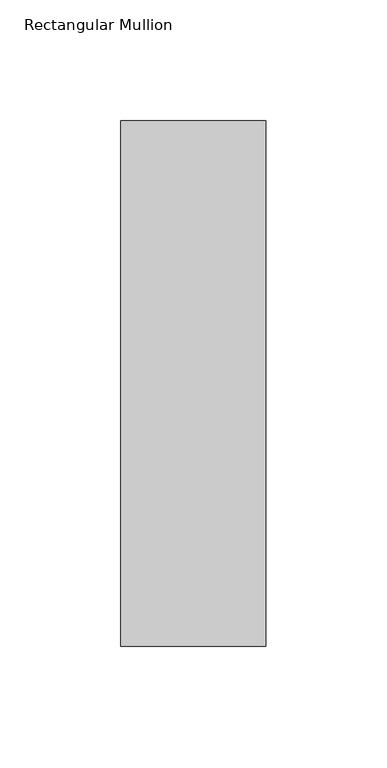
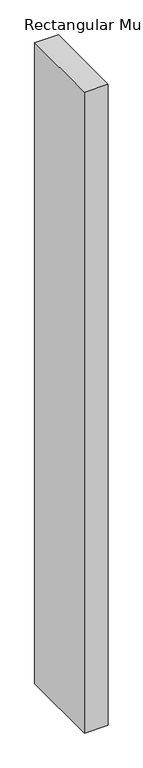
"""IFC4 building model written with IfcOpenShell, lengths in millimetres: member geometry, Rectangular Mullion."""

from ifc_helpers import new_model, si_unit, frame, origin, place, context, project, spatial, polyline, outline, extrude, source, transform, mapped, element, save


def rectangular_mullion_b2a3f4b6(model_context):
    return source(origin(), model_context, "Body", "SweptSolid", [
        extrude(outline(polyline([(30.0, 164.19375), (30.0, -53.19375), (-30.0, -53.19375), (-30.0, 164.19375), (30.0, 164.19375)])), frame((0.0, 0.0, -1708.8912252), z_axis=(0.0, 0.0, 1.0), x_axis=(1.0, 0.0, 0.0)), (0.0, 0.0, 1.0), 1708.8912252),
    ])


if __name__ == "__main__":
    model = new_model("IFC4")
    model_context = context("Model", 3, world=origin())
    ifc_project = project(units=[si_unit("LENGTHUNIT", "METRE", prefix="MILLI")], contexts=[model_context])
    site = spatial("IfcSite", under=ifc_project)
    building = spatial("IfcBuilding", under=site)
    placement = place(None, origin())
    rectangular_mullion_shape = rectangular_mullion_b2a3f4b6(model_context)
    element("IfcMember", 1, ObjectType="Rectangular Mullion", at=placement, inside=building, context=model_context, shape_type="MappedRepresentation", body=[
        mapped(rectangular_mullion_shape, transform((0.0, 0.0, 0.0), x_axis=(1.0, 0.0, 0.0), y_axis=(0.0, 1.0, 0.0), z_axis=(0.0, 0.0, 1.0))),
    ])
    save(model, "model.ifc")
